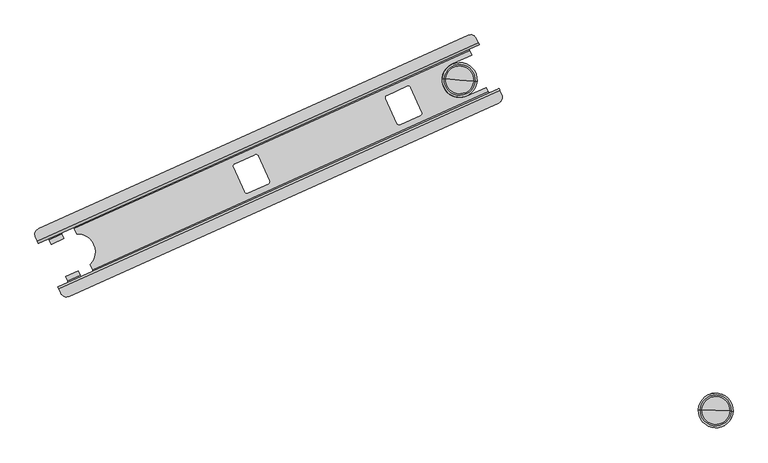
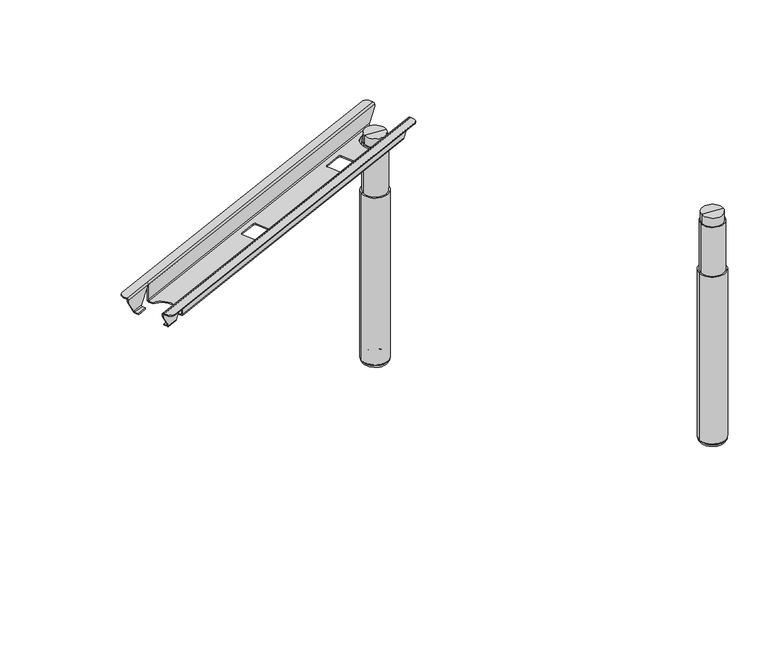
"""IFC4 building model written with IfcOpenShell, lengths in millimetres: furniture geometry."""

from ifc_helpers import new_model, si_unit, point, frame, origin, place, context, project, spatial, polyline, circle_curve, ellipse_curve, trimmed, source, transform, mapped, element, save
from ifc_brep_helpers import plane_surface, cylinder_surface, revolved_surface, advanced_brep


def furniture_04da3972(model_context):
    return source(origin(), model_context, "Body", "AdvancedBrep", [
        advanced_brep(
        [(152.5074681, 221.3662878, 675.8114043), (150.4453506, 225.943718, 670.7799265), (150.4453506, 225.943718, 666.2371902), (151.6728418, 223.2189677, 666.2371902), (151.6728418, 223.2189677, 670.7799265), (152.5074681, 221.3662878, 672.8119265), (156.1827463, 213.208009, 672.8119265), (156.1827463, 213.208009, 675.8114043), (110.4369016, 314.7533439, 670.7799265), (108.3747841, 319.3307741, 675.8114043), (104.6994573, 327.489161, 675.8114043), (104.6994573, 327.489161, 672.8119265), (108.3747841, 319.3307741, 672.8119265), (109.2094105, 317.4780942, 670.7799265), (109.2094105, 317.4780942, 666.2371902), (110.4369016, 314.7533439, 666.2371902), (1048.6649841, 625.0823475, 672.8119265), (1047.8303578, 626.9350274, 670.7799265), (1047.8303578, 626.9350274, 666.2371902), (1046.6028666, 629.6597777, 666.2371902), (1046.6028666, 629.6597777, 670.7799265), (1048.6649841, 625.0823475, 675.8114043), (1052.3402623, 616.9240687, 675.8114043), (1052.3402623, 616.9240687, 672.8119265), (1005.3669265, 721.1941539, 670.7799265), (1004.5323002, 723.0468338, 672.8119265), (1000.8569733, 731.2052207, 672.8119265), (1000.8569733, 731.2052207, 675.8114043), (1004.5323002, 723.0468338, 675.8114043), (1006.5944177, 718.4694036, 670.7799265), (1006.5944177, 718.4694036, 666.2371902), (1005.3669265, 721.1941539, 666.2371902), (223.5280731, 253.3608404, 672.8119265), (225.2879288, 249.4543627, 672.8119265), (226.0440324, 249.7949849, 672.8119265), (224.2841767, 253.7014626, 672.8119265), (1045.8964031, 600.0919036, 672.8119265), (172.9784101, 206.8451738, 672.8119265), (179.3953854, 351.325325, 672.8119265), (111.0622924, 344.284825, 672.8119265), (984.0613093, 737.5680558, 672.8119265), (180.151489, 351.6659473, 672.8119265), (178.3915846, 355.5725331, 672.8119265), (177.635481, 355.2319108, 672.8119265), (172.9784101, 206.8451738, 675.8114043), (1045.8964031, 600.0919036, 675.8114043), (984.0613093, 737.5680558, 675.8114043), (111.0622924, 344.284825, 675.8114043), (222.222059, 258.2788928, 670.7799265), (222.7856715, 257.0278019, 674.2332388), (220.3849808, 257.451295, 670.7799265), (1026.6854753, 620.6870574, 628.4002168), (222.222059, 258.2788928, 628.4002168), (197.8400055, 247.2948566, 628.4002168), (170.3627419, 234.9164383, 628.4002168), (197.1799507, 247.2441877, 627.3331133), (195.9353789, 249.2879574, 625.7913268), (170.1185421, 237.657556, 625.7913268), (170.832117, 235.3746213, 627.3330164), (221.1543278, 260.6490122, 625.7913268), (1026.0313015, 620.6390853, 627.3330164), (1024.7942127, 622.6861787, 625.7913268), (191.8507602, 258.354878, 625.7913268), (166.0339233, 246.7244777, 625.7913268), (162.1469247, 324.290607, 625.7913268), (158.0623891, 333.3573428, 625.7913268), (132.2455555, 321.7269429, 625.7913268), (136.3300903, 312.6602079, 625.7913268), (183.2813379, 344.7183976, 625.7913268), (188.3144634, 333.546009, 625.7913268), (216.1211192, 271.8215854, 625.7913268), (1020.7095939, 631.7531004, 625.7913268), (981.188778, 613.949099, 625.7913268), (951.4849425, 679.884828, 625.7913268), (991.0057609, 697.6888306, 625.7913268), (986.9212261, 706.7555655, 625.7913268), (557.470799, 491.9835454, 625.7913268), (579.9181224, 442.1556156, 625.7913268), (577.3729886, 435.4373499, 625.7913268), (536.5402032, 417.0423104, 625.7913268), (529.8219375, 419.5874441, 625.7913268), (507.3746141, 469.415374, 625.7913268), (509.9197479, 476.1336397, 625.7913268), (550.7525333, 494.5286792, 625.7913268), (866.7635816, 631.3189569, 625.7913268), (889.210905, 581.491027, 625.7913268), (886.6657712, 574.7727613, 625.7913268), (845.8329857, 556.3777218, 625.7913268), (839.11472, 558.9228556, 625.7913268), (816.6673967, 608.7507855, 625.7913268), (819.2125305, 615.4690512, 625.7913268), (860.0453159, 633.8640907, 625.7913268), (157.3562616, 335.6436799, 627.3331133), (157.8315531, 336.1044809, 628.4002168), (130.3542929, 323.7260642, 628.4002168), (131.0084668, 323.7740363, 627.3330164), (182.2136067, 347.0885171, 628.4002168), (986.2076512, 709.0385003, 627.3330164), (986.6770264, 709.4966833, 628.4002168), (180.3765285, 346.2609193, 670.7799265), (182.2136067, 347.0885171, 670.7799265), (181.6499943, 348.339608, 674.2332388), (179.1490372, 348.9856696, 670.7799265), (180.9861154, 349.8132674, 670.7799265), (156.6040618, 338.8292312, 628.4002168), (129.1268017, 326.4508144, 628.4002168), (985.4495352, 712.2214336, 628.4002168), (180.9861154, 349.8132674, 628.4002168), (156.0786273, 338.4797362, 627.3331133), (157.5421859, 333.122993, 622.8122168), (132.751366, 321.9548089, 622.8122168), (129.7308226, 326.6101148, 627.3330164), (183.2813379, 344.7183976, 622.8122168), (984.9300071, 711.8745787, 627.3330164), (986.4154157, 706.5276996, 622.8122168), (191.3305569, 258.1205281, 622.8122168), (195.4151757, 249.0536076, 622.8122168), (170.6243526, 237.885422, 622.8122168), (166.5397337, 246.9523437, 622.8122168), (161.6267214, 324.0562572, 622.8122168), (136.8359008, 312.8880739, 622.8122168), (221.1543278, 260.6490122, 622.8122168), (216.1211192, 271.8215854, 622.8122168), (188.3144634, 333.546009, 622.8122168), (990.4999504, 697.4609646, 622.8122168), (951.4849425, 679.884828, 622.8122168), (981.188778, 613.949099, 622.8122168), (1020.2037834, 631.5252344, 622.8122168), (1024.2884023, 622.4583127, 622.8122168), (579.9181224, 442.1556156, 622.8122168), (557.470799, 491.9835454, 622.8122168), (550.7525333, 494.5286792, 622.8122168), (509.9197479, 476.1336397, 622.8122168), (507.3746141, 469.415374, 622.8122168), (529.8219375, 419.5874441, 622.8122168), (536.5402032, 417.0423104, 622.8122168), (577.3729886, 435.4373499, 622.8122168), (889.210905, 581.491027, 622.8122168), (866.7635816, 631.3189569, 622.8122168), (860.0453159, 633.8640907, 622.8122168), (819.2125305, 615.4690512, 622.8122168), (816.6673967, 608.7507855, 622.8122168), (839.11472, 558.9228556, 622.8122168), (845.8329857, 556.3777218, 622.8122168), (886.6657712, 574.7727613, 622.8122168), (198.457585, 244.4081315, 627.3331133), (199.0674967, 244.5701063, 628.4002168), (171.590233, 232.191688, 628.4002168), (172.1097612, 232.5385429, 627.3330164), (223.4495503, 255.5541425, 628.4002168), (1027.3089457, 617.8030068, 627.3330164), (1027.9129665, 617.9623071, 628.4002168), (221.6124721, 254.7265447, 670.7799265), (223.4495503, 255.5541425, 670.7799265), (178.3915846, 355.5725331, 674.2332388), (226.0440324, 249.7949849, 674.2332388)],
        [
            (0, 1, circle_curve(frame((152.5119912, 221.3562474, 670.7799265), z_axis=(-0.9117519339151808, -0.4107412944931736, 0.0), x_axis=(0.4107412944931736, -0.9117519339151808, 0.0)), 5.0314898)),
            (1, 2),
            (2, 3),
            (3, 4),
            (4, 5, circle_curve(frame((152.5074681, 221.3662878, 670.7799265), z_axis=(0.9117519339151808, 0.4107412944931736, 0.0), x_axis=(0.4107412944931736, -0.9117519339151808, 0.0)), 2.032)),
            (5, 6),
            (6, 7),
            (7, 0),
            (8, 9, circle_curve(frame((108.370261, 319.3408145, 670.7799265), z_axis=(-0.9117519339151808, -0.4107412944931736, 0.0), x_axis=(0.4107412944931736, -0.9117519339151808, 0.0)), 5.0314898)),
            (9, 10),
            (10, 11),
            (11, 12),
            (12, 13, circle_curve(frame((108.3747841, 319.3307741, 670.7799265), z_axis=(0.9117519339151808, 0.4107412944931736, 0.0), x_axis=(0.4107412944931736, -0.9117519339151808, 0.0)), 2.032)),
            (13, 14),
            (14, 15),
            (15, 8),
            (16, 17, circle_curve(frame((1048.6649841, 625.0823475, 670.7799265), z_axis=(-0.9117519339151808, -0.4107412944931736, 0.0), x_axis=(0.4107412944931736, -0.9117519339151808, 0.0)), 2.032)),
            (17, 18),
            (18, 19),
            (19, 20),
            (20, 21, circle_curve(frame((1048.6695073, 625.0723071, 670.7799265), z_axis=(0.9117519339151808, 0.4107412944931736, 0.0), x_axis=(0.4107412944931736, -0.9117519339151808, 0.0)), 5.0314898)),
            (21, 22),
            (22, 23),
            (23, 16),
            (24, 25, circle_curve(frame((1004.5323002, 723.0468338, 670.7799265), z_axis=(-0.9117519339151808, -0.4107412944931736, 0.0), x_axis=(0.4107412944931736, -0.9117519339151808, 0.0)), 2.032)),
            (25, 26),
            (26, 27),
            (27, 28),
            (28, 29, circle_curve(frame((1004.527777, 723.0568742, 670.7799265), z_axis=(0.9117519339151808, 0.4107412944931736, 0.0), x_axis=(0.4107412944931736, -0.9117519339151808, 0.0)), 5.0314898)),
            (29, 30),
            (30, 31),
            (31, 24),
            (5, 32),
            (32, 33),
            (33, 34),
            (34, 35),
            (35, 16),
            (23, 36, circle_curve(frame((1040.6799887, 611.6711532, 672.8119265), z_axis=(0.0, 0.0, -1.0), x_axis=(0.9968812328975415, -0.07891645897199012, 0.0)), 12.7)),
            (36, 37),
            (37, 6, circle_curve(frame((167.7619957, 218.4244233, 672.8119265), z_axis=(0.0, 0.0, -1.0), x_axis=(0.9968812328975415, -0.07891645897199012, 0.0)), 12.7)),
            (38, 12),
            (11, 39, circle_curve(frame((116.2787068, 332.7055754, 672.8119265), z_axis=(0.0, 0.0, -1.0), x_axis=(0.9968812328975419, -0.07891645897198368, 0.0)), 12.7)),
            (39, 40),
            (40, 26, circle_curve(frame((989.2777237, 725.9888062, 672.8119265), z_axis=(0.0, 0.0, -1.0), x_axis=(0.9968812328975419, -0.07891645897198368, 0.0)), 12.7)),
            (25, 41),
            (41, 42),
            (42, 43),
            (43, 38),
            (21, 0),
            (7, 44, circle_curve(frame((167.7619957, 218.4244233, 675.8114043), z_axis=(0.0, 0.0, 1.0), x_axis=(0.9968812328975415, -0.07891645897199012, 0.0)), 12.7)),
            (44, 45),
            (45, 22, circle_curve(frame((1040.6799887, 611.6711532, 675.8114043), z_axis=(0.0, 0.0, 1.0), x_axis=(0.9968812328975415, -0.07891645897199012, 0.0)), 12.7)),
            (9, 28),
            (27, 46, circle_curve(frame((989.2777237, 725.9888062, 675.8114043), z_axis=(0.0, 0.0, 1.0), x_axis=(0.9968812328975419, -0.07891645897198368, 0.0)), 12.7)),
            (46, 47),
            (47, 10, circle_curve(frame((116.2787068, 332.7055754, 675.8114043), z_axis=(0.0, 0.0, 1.0), x_axis=(0.9968812328975419, -0.07891645897198368, 0.0)), 12.7)),
            (20, 48),
            (48, 49, circle_curve(frame((224.2886997, 253.6914222, 670.7799265), z_axis=(0.9117519339151808, 0.4107412944931736, 0.0), x_axis=(0.4107412944931736, -0.9117519339151808, 0.0)), 5.0314898)),
            (49, 50, ellipse_curve(frame((222.4516216, 252.8638245, 670.7799265), z_axis=(-0.7875068062240813, -0.3547693028906138, 0.5039561209840148), x_axis=(-0.4594829911420227, -0.2069955379433079, -0.8637292562619031)), 5.825309, 5.0314898)),
            (50, 1),
            (19, 51),
            (51, 52),
            (52, 48),
            (50, 53),
            (53, 54),
            (54, 2),
            (53, 55, ellipse_curve(frame((196.7672998, 249.6627351, 628.390866), z_axis=(0.7875068062240813, 0.3547693028906138, -0.5039561209840148), x_axis=(0.4594829911420227, 0.2069955379433079, 0.8637292562619031)), 3.009669, 2.5995392)),
            (55, 56, ellipse_curve(frame((196.3893027, 249.4924486, 628.390866), z_axis=(0.895477125247351, 0.4034095870253305, -0.18809950360060085), x_axis=(0.17150016663787515, 0.07726005499618364, 0.9821499767067998)), 2.6467843, 2.5995392)),
            (56, 57),
            (57, 58, ellipse_curve(frame((169.6771774, 237.4587227, 628.390866), z_axis=(-0.8963428695003585, -0.4037995608601031, -0.18307204850837175), x_axis=(0.16691629427331295, 0.07519525018986079, -0.9830994990614881)), 2.6442279, 2.5995392)),
            (58, 54, ellipse_curve(frame((169.2999329, 237.2887753, 628.390866), z_axis=(-0.7896003367201425, -0.3557123954143929, -0.4999999999999921), x_axis=(0.455875966957581, 0.20537064724658796, -0.8660254037844434)), 3.0016893, 2.5995392)),
            (59, 52, circle_curve(frame((221.1543278, 260.6490122, 628.390866), z_axis=(-0.9117519339151808, -0.4107412944931736, 0.0), x_axis=(0.4107412944931736, -0.9117519339151808, 0.0)), 2.5995392)),
            (51, 60, ellipse_curve(frame((1025.6128219, 623.0549595, 628.390866), z_axis=(0.7896003367201436, 0.3557123954143908, -0.49999999999999195), x_axis=(0.4558759669575792, 0.2053706472465917, 0.8660254037844435)), 3.0016893, 2.5995392)),
            (60, 61, ellipse_curve(frame((1025.2355775, 622.8850121, 628.390866), z_axis=(0.896342869500359, 0.4037995608601001, -0.1830720485083751), x_axis=(0.16691629427331048, 0.075195250189877, 0.9830994990614875)), 2.6442279, 2.5995392)),
            (61, 59),
            (56, 62),
            (62, 63),
            (63, 57),
            (64, 65),
            (65, 66),
            (66, 67),
            (67, 64),
            (68, 69),
            (69, 70, circle_curve(frame((190.6245185, 297.4610649, 625.7913268), z_axis=(0.0, 0.0, -1.0), x_axis=(-0.6014092278380982, -0.7989411371754384, 0.0)), 36.1588101)),
            (70, 59),
            (61, 71),
            (71, 72),
            (72, 73, circle_curve(frame((966.3368603, 646.9169635, 625.7913268), z_axis=(0.0, 0.0, -1.0), x_axis=(0.9968812328975419, -0.07891645897198368, 0.0)), 36.1588101)),
            (73, 74),
            (74, 75),
            (75, 68),
            (76, 77),
            (77, 78, circle_curve(frame((575.2864226, 440.0690496, 625.7913268), z_axis=(0.0, 0.0, -1.0), x_axis=(0.9968812328975419, -0.07891645897198368, 0.0)), 5.08)),
            (78, 79),
            (79, 80, circle_curve(frame((534.4536372, 421.6740101, 625.7913268), z_axis=(0.0, 0.0, -1.0), x_axis=(0.9968812328975419, -0.07891645897198368, 0.0)), 5.08)),
            (80, 81),
            (81, 82, circle_curve(frame((512.0063138, 471.50194, 625.7913268), z_axis=(0.0, 0.0, -1.0), x_axis=(0.9968812328975419, -0.07891645897198368, 0.0)), 5.08)),
            (82, 83),
            (83, 76, circle_curve(frame((552.8390992, 489.8969795, 625.7913268), z_axis=(0.0, 0.0, -1.0), x_axis=(0.9968812328975419, -0.07891645897198368, 0.0)), 5.08)),
            (84, 85),
            (85, 86, circle_curve(frame((884.5792052, 579.4044611, 625.7913268), z_axis=(0.0, 0.0, -1.0), x_axis=(0.9968812328975419, -0.07891645897198368, 0.0)), 5.08)),
            (86, 87),
            (87, 88, circle_curve(frame((843.7464198, 561.0094216, 625.7913268), z_axis=(0.0, 0.0, -1.0), x_axis=(0.9968812328975419, -0.07891645897198368, 0.0)), 5.08)),
            (88, 89),
            (89, 90, circle_curve(frame((821.2990964, 610.8373514, 625.7913268), z_axis=(0.0, 0.0, -1.0), x_axis=(0.9968812328975419, -0.07891645897198368, 0.0)), 5.08)),
            (90, 91),
            (91, 84, circle_curve(frame((862.1318818, 629.2323909, 625.7913268), z_axis=(0.0, 0.0, -1.0), x_axis=(0.9968812328975419, -0.07891645897198368, 0.0)), 5.08)),
            (92, 93, ellipse_curve(frame((158.89431, 333.7321205, 628.390866), z_axis=(0.7875068062240813, 0.3547693028906138, -0.5039561209840148), x_axis=(0.4594829911420227, 0.2069955379433079, 0.8637292562619031)), 3.009669, 2.5995392)),
            (93, 94),
            (94, 95, ellipse_curve(frame((131.4269463, 321.3581621, 628.390866), z_axis=(-0.7896003367201425, -0.3557123954143929, -0.4999999999999921), x_axis=(0.455875966957581, 0.20537064724658796, -0.8660254037844434)), 3.0016893, 2.5995392)),
            (95, 66, ellipse_curve(frame((131.8041908, 321.5281095, 628.390866), z_axis=(-0.8963428695003585, -0.4037995608601031, -0.18307204850837175), x_axis=(0.16691629427331295, 0.07519525018986079, -0.9830994990614881)), 2.6442279, 2.5995392)),
            (65, 92, ellipse_curve(frame((158.5163129, 333.561834, 628.390866), z_axis=(0.895477125247351, 0.4034095870253305, -0.18809950360060085), x_axis=(0.17150016663787515, 0.07726005499618364, 0.9821499767067998)), 2.6467843, 2.5995392)),
            (96, 68, circle_curve(frame((183.2813379, 344.7183976, 628.390866), z_axis=(-0.9117519339151808, -0.4107412944931736, 0.0), x_axis=(0.4107412944931736, -0.9117519339151808, 0.0)), 2.5995392)),
            (75, 97, ellipse_curve(frame((987.3625908, 706.9543989, 628.390866), z_axis=(0.896342869500359, 0.4037995608601001, -0.1830720485083751), x_axis=(0.16691629427331048, 0.075195250189877, 0.9830994990614875)), 2.6442279, 2.5995392)),
            (97, 98, ellipse_curve(frame((987.7398353, 707.1243463, 628.390866), z_axis=(0.7896003367201436, 0.3557123954143908, -0.49999999999999195), x_axis=(0.4558759669575792, 0.2053706472465917, 0.8660254037844435)), 3.0016893, 2.5995392)),
            (98, 96),
            (99, 8),
            (15, 94),
            (93, 99),
            (29, 100),
            (100, 96),
            (98, 30),
            (99, 101, ellipse_curve(frame((178.3098876, 350.8483898, 670.7799265), z_axis=(-0.7875068062240813, -0.3547693028906138, 0.5039561209840148), x_axis=(-0.4594829911420227, -0.2069955379433079, -0.8637292562619031)), 5.825309, 5.0314898)),
            (101, 100, circle_curve(frame((180.146966, 351.6759877, 670.7799265), z_axis=(0.9117519339151808, 0.4107412944931736, 0.0), x_axis=(0.4107412944931736, -0.9117519339151808, 0.0)), 5.0314898)),
            (38, 102, ellipse_curve(frame((178.3144108, 350.8383495, 670.7799265), z_axis=(0.7875068062240813, 0.3547693028906138, -0.5039561209840148), x_axis=(0.4594829911420227, 0.2069955379433079, 0.8637292562619031)), 2.3525891, 2.032)),
            (102, 13),
            (24, 103),
            (103, 41, circle_curve(frame((180.1514891, 351.6659473, 670.7799265), z_axis=(-0.9117519339151808, -0.4107412944931736, 0.0), x_axis=(0.4107412944931736, -0.9117519339151808, 0.0)), 2.032)),
            (102, 104),
            (104, 105),
            (105, 14),
            (31, 106),
            (106, 107),
            (107, 103),
            (104, 108, ellipse_curve(frame((158.8992844, 333.7343614, 628.4002168), z_axis=(-0.7875068062240813, -0.3547693028906138, 0.5039561209840148), x_axis=(-0.4594829911420227, -0.2069955379433079, -0.8637292562619031)), 6.4696199, 5.588)),
            (108, 109, ellipse_curve(frame((158.5179457, 333.5625696, 628.4002168), z_axis=(-0.895477125247351, -0.4034095870253305, 0.18809950360060085), x_axis=(-0.17150016663787515, -0.07726005499618364, -0.9821499767067998)), 5.6895588, 5.588)),
            (109, 110),
            (110, 111, ellipse_curve(frame((131.8026032, 321.5273943, 628.4002168), z_axis=(0.8963428695003585, 0.4037995608601031, 0.18307204850837175), x_axis=(-0.16691629427331295, -0.07519525018986079, 0.9830994990614881)), 5.6840635, 5.588)),
            (111, 105, ellipse_curve(frame((131.4220241, 321.3559446, 628.4002168), z_axis=(0.7896003367201425, 0.3557123954143929, 0.4999999999999921), x_axis=(-0.455875966957581, -0.20537064724658796, 0.8660254037844434)), 6.4524666, 5.588)),
            (112, 107, circle_curve(frame((183.2813379, 344.7183976, 628.4002168), z_axis=(0.9117519339151808, 0.4107412944931736, 0.0), x_axis=(0.4107412944931736, -0.9117519339151808, 0.0)), 5.588)),
            (106, 113, ellipse_curve(frame((987.7447576, 707.1265638, 628.4002168), z_axis=(-0.7896003367201436, -0.3557123954143908, 0.49999999999999195), x_axis=(-0.4558759669575792, -0.2053706472465917, -0.8660254037844435)), 6.4524666, 5.588)),
            (113, 114, ellipse_curve(frame((987.3641785, 706.9551141, 628.4002168), z_axis=(-0.896342869500359, -0.4037995608601001, 0.1830720485083751), x_axis=(-0.16691629427331048, -0.075195250189877, -0.9830994990614875)), 5.6840635, 5.588)),
            (114, 112),
            (115, 116),
            (116, 117),
            (117, 118),
            (118, 115),
            (109, 119),
            (119, 120),
            (120, 110),
            (121, 122),
            (122, 123, circle_curve(frame((190.6245185, 297.4610649, 622.8122168), z_axis=(0.0, 0.0, 1.0), x_axis=(-0.6014092278380982, -0.7989411371754384, 0.0)), 36.1588101)),
            (123, 112),
            (114, 124),
            (124, 125),
            (125, 126, circle_curve(frame((966.3368603, 646.9169635, 622.8122168), z_axis=(0.0, 0.0, 1.0), x_axis=(0.9968812328975419, -0.07891645897198368, 0.0)), 36.1588101)),
            (126, 127),
            (127, 128),
            (128, 121),
            (129, 130),
            (130, 131, circle_curve(frame((552.8390992, 489.8969795, 622.8122168), z_axis=(0.0, 0.0, 1.0), x_axis=(0.9968812328975419, -0.07891645897198368, 0.0)), 5.08)),
            (131, 132),
            (132, 133, circle_curve(frame((512.0063138, 471.50194, 622.8122168), z_axis=(0.0, 0.0, 1.0), x_axis=(0.9968812328975419, -0.07891645897198368, 0.0)), 5.08)),
            (133, 134),
            (134, 135, circle_curve(frame((534.4536372, 421.6740101, 622.8122168), z_axis=(0.0, 0.0, 1.0), x_axis=(0.9968812328975419, -0.07891645897198368, 0.0)), 5.08)),
            (135, 136),
            (136, 129, circle_curve(frame((575.2864226, 440.0690496, 622.8122168), z_axis=(0.0, 0.0, 1.0), x_axis=(0.9968812328975419, -0.07891645897198368, 0.0)), 5.08)),
            (137, 138),
            (138, 139, circle_curve(frame((862.1318818, 629.2323909, 622.8122168), z_axis=(0.0, 0.0, 1.0), x_axis=(0.9968812328975419, -0.07891645897198368, 0.0)), 5.08)),
            (139, 140),
            (140, 141, circle_curve(frame((821.2990964, 610.8373514, 622.8122168), z_axis=(0.0, 0.0, 1.0), x_axis=(0.9968812328975419, -0.07891645897198368, 0.0)), 5.08)),
            (141, 142),
            (142, 143, circle_curve(frame((843.7464198, 561.0094216, 622.8122168), z_axis=(0.0, 0.0, 1.0), x_axis=(0.9968812328975419, -0.07891645897198368, 0.0)), 5.08)),
            (143, 144),
            (144, 137, circle_curve(frame((884.5792052, 579.4044611, 622.8122168), z_axis=(0.0, 0.0, 1.0), x_axis=(0.9968812328975419, -0.07891645897198368, 0.0)), 5.08)),
            (145, 146, ellipse_curve(frame((196.7722742, 249.664976, 628.4002168), z_axis=(-0.7875068062240813, -0.3547693028906138, 0.5039561209840148), x_axis=(-0.4594829911420227, -0.2069955379433079, -0.8637292562619031)), 6.4696199, 5.588)),
            (146, 147),
            (147, 148, ellipse_curve(frame((169.2950107, 237.2865578, 628.4002168), z_axis=(0.7896003367201425, 0.3557123954143929, 0.4999999999999921), x_axis=(-0.455875966957581, -0.20537064724658796, 0.8660254037844434)), 6.4524666, 5.588)),
            (148, 117, ellipse_curve(frame((169.6755898, 237.4580074, 628.4002168), z_axis=(0.8963428695003585, 0.4037995608601031, 0.18307204850837175), x_axis=(-0.16691629427331295, -0.07519525018986079, 0.9830994990614881)), 5.6840635, 5.588)),
            (116, 145, ellipse_curve(frame((196.3909355, 249.4931842, 628.4002168), z_axis=(-0.895477125247351, -0.4034095870253305, 0.18809950360060085), x_axis=(-0.17150016663787515, -0.07726005499618364, -0.9821499767067998)), 5.6895588, 5.588)),
            (149, 121, circle_curve(frame((221.154328, 260.6490123, 628.4002168), z_axis=(0.9117519339151808, 0.4107412944931736, 0.0), x_axis=(0.4107412944931736, -0.9117519339151808, 0.0)), 5.588)),
            (128, 150, ellipse_curve(frame((1025.2371651, 622.8857273, 628.4002168), z_axis=(-0.896342869500359, -0.4037995608601001, 0.1830720485083751), x_axis=(-0.16691629427331048, -0.075195250189877, -0.9830994990614875)), 5.6840635, 5.588)),
            (150, 151, ellipse_curve(frame((1025.6177442, 623.0571769, 628.4002168), z_axis=(-0.7896003367201436, -0.3557123954143908, 0.49999999999999195), x_axis=(-0.4558759669575792, -0.2053706472465917, -0.8660254037844435)), 6.4524666, 5.588)),
            (151, 149),
            (152, 4),
            (3, 147),
            (146, 152),
            (17, 153),
            (153, 149),
            (151, 18),
            (152, 32, ellipse_curve(frame((222.4470985, 252.8738648, 670.7799265), z_axis=(0.7875068062240813, 0.3547693028906138, -0.5039561209840148), x_axis=(0.4594829911420227, 0.2069955379433079, 0.8637292562619031)), 2.3525891, 2.032)),
            (35, 153, circle_curve(frame((224.2841767, 253.7014626, 670.7799265), z_axis=(-0.9117519339151808, -0.4107412944931736, 0.0), x_axis=(0.4107412944931736, -0.9117519339151808, 0.0)), 2.032)),
            (92, 108),
            (43, 154),
            (154, 101),
            (145, 55),
            (49, 155),
            (155, 33),
            (154, 42),
            (123, 69),
            (70, 122),
            (34, 155),
            (64, 119),
            (115, 62),
            (118, 63),
            (67, 120),
            (125, 73),
            (72, 126),
            (71, 127),
            (124, 74),
            (129, 77),
            (76, 130),
            (83, 131),
            (82, 132),
            (81, 133),
            (80, 134),
            (79, 135),
            (78, 136),
            (137, 85),
            (84, 138),
            (91, 139),
            (90, 140),
            (89, 141),
            (88, 142),
            (87, 143),
            (86, 144),
            (46, 40),
            (39, 47),
            (45, 36),
            (37, 44),
            (111, 95),
            (58, 148),
            (150, 60),
            (97, 113),
        ],
        [
            plane_surface(frame((154.2673237, 217.45981, 672.8119265), z_axis=(-0.9117519339151807, -0.4107412944931736, 0.0), x_axis=(0.4107412944931736, -0.9117519339151807, 0.0))),
            plane_surface(frame((1050.4248397, 621.1758697, 672.8119265), z_axis=(0.9117519339151807, 0.4107412944931736, 0.0), x_axis=(-0.4107412944931736, 0.9117519339151807, 0.0))),
            plane_surface(frame((152.5074681, 221.3662878, 672.8119265), z_axis=(0.0, 0.0, -1.0), x_axis=(0.9117519339151807, 0.4107412944931735, 0.0))),
            plane_surface(frame((154.2673237, 217.45981, 675.8114043), z_axis=(2.8677227300377563e-12, -6.365689985641075e-12, 1.0), x_axis=(0.9117519339151807, 0.41074129449317354, 0.0))),
            cylinder_surface(frame((1048.6695073, 625.0723071, 670.7799265), z_axis=(-0.9117519339151808, -0.4107412944931736, 0.0), x_axis=(0.4107412944931736, -0.9117519339151808, 0.0)), 5.0314898),
            plane_surface(frame((150.4453506, 225.943718, 670.7799265), z_axis=(-0.4107412944931735, 0.9117519339151808, 0.0), x_axis=(0.9117519339151808, 0.4107412944931735, 0.0))),
            revolved_surface(polyline([(199.21792954401644, 247.91558840851178, 628.390866), (168.99927301153707, 234.30218147149964, 628.390866)]), (1045.5351354, 632.0298972, 628.390866), (0.9117519339151808, 0.4107412944931736, 0.0)),
            revolved_surface(polyline([(1028.0489580211945, 621.3012834527241, 628.390866), (222.22206587599624, 258.2788773517232, 628.390866)]), (1045.5351354, 632.0298972, 628.390866), (0.9117519339151808, 0.4107412944931736, 0.0)),
            plane_surface(frame((149.3776194, 228.3138375, 625.7913268), z_axis=(0.0, 0.0, 1.0), x_axis=(0.9117519339151807, 0.4107412944931735, 0.0))),
            revolved_surface(polyline([(161.34493972214204, 331.9849738570677, 628.390866), (131.12628637408773, 318.3715683546288, 628.390866)]), (1007.6621488, 716.0992841, 628.390866), (0.9117519339151808, 0.4107412944931736, 0.0)),
            revolved_surface(polyline([(990.1759713837451, 705.3706703358532, 628.390866), (184.34907593911055, 342.34826274846694, 628.390866)]), (1007.6621488, 716.0992841, 628.390866), (0.9117519339151808, 0.4107412944931736, 0.0)),
            plane_surface(frame((110.4369016, 314.7533439, 628.4002168), z_axis=(0.41074129449317354, -0.9117519339151807, 0.0), x_axis=(0.9117519339151807, 0.41074129449317354, 0.0))),
            cylinder_surface(frame((1004.527777, 723.0568742, 670.7799265), z_axis=(-0.9117519339151808, -0.4107412944931736, 0.0), x_axis=(0.4107412944931736, -0.9117519339151808, 0.0)), 5.0314898),
            revolved_surface(polyline([(180.23001175101592, 349.47264509648863, 670.7799265), (109.20941043037578, 317.4780941259644, 670.7799265)]), (1004.5323002, 723.0468338, 670.7799265), (0.9117519339151808, 0.4107412944931736, 0.0)),
            revolved_surface(polyline([(1005.3669265128847, 721.194153871399, 670.7799265), (180.98611533592157, 349.8132673136541, 670.7799265)]), (1004.5323002, 723.0468338, 670.7799265), (0.9117519339151808, 0.4107412944931736, 0.0)),
            plane_surface(frame((109.2094105, 317.4780942, 670.7799265), z_axis=(-0.4107412944931735, 0.9117519339151807, 0.0), x_axis=(0.9117519339151807, 0.4107412944931735, 0.0))),
            cylinder_surface(frame((1007.6621488, 716.0992841, 628.4002168), z_axis=(-0.9117519339151808, -0.4107412944931736, 0.0), x_axis=(0.4107412944931736, -0.9117519339151808, 0.0)), 5.588),
            plane_surface(frame((111.5046328, 312.3832244, 622.8122168), z_axis=(0.0, 0.0, -1.0), x_axis=(0.9117519339151807, 0.41074129449317354, 0.0))),
            cylinder_surface(frame((1045.5351354, 632.0298972, 628.4002168), z_axis=(-0.9117519339151808, -0.4107412944931736, 0.0), x_axis=(0.4107412944931736, -0.9117519339151808, 0.0)), 5.588),
            plane_surface(frame((151.6728418, 223.2189677, 628.4002168), z_axis=(0.4107412944931735, -0.9117519339151807, 0.0), x_axis=(0.9117519339151807, 0.4107412944931735, 0.0))),
            revolved_surface(polyline([(224.3626994091145, 251.50816048949986, 670.7799265), (153.34209441103064, 219.51360786229912, 670.7799265)]), (1048.6649841, 625.0823475, 670.7799265), (0.9117519339151808, 0.4107412944931736, 0.0)),
            revolved_surface(polyline([(1049.4996104104102, 623.2296675702843, 670.7799265), (225.1188029084168, 251.8487826681013, 670.7799265)]), (1048.6649841, 625.0823475, 670.7799265), (0.9117519339151808, 0.4107412944931736, 0.0)),
            plane_surface(frame((146.3100196, 360.1638138, 627.3331133), z_axis=(0.7875068062240815, 0.35476930289061387, -0.5039561209840149), x_axis=(0.41074132932118523, -0.9117519182252735, 0.0))),
            plane_surface(frame((171.2597458, 371.4035858, 674.2332388), z_axis=(-0.9117519182252735, -0.41074132932118523, 0.0), x_axis=(0.41074132932118523, -0.9117519182252735, 0.0))),
            plane_surface(frame((145.0746262, 359.607273, 620.2582388), z_axis=(0.895477125247351, 0.4034095870253305, -0.18809950360060085), x_axis=(0.41074132932118523, -0.9117519182252735, 0.0))),
            revolved_surface(polyline([(168.87827643821456, 268.57230403979526, 625.7913268), (168.87827643821456, 268.57230403979526, 622.8122168)]), (190.6245185, 297.4610649, 485.9002831), (0.0, 0.0, 1.0000000000000002)),
            plane_surface(frame((164.9490596, 246.2357502, 649.3460139), z_axis=(-0.41074125966517006, 0.9117519496050828, 0.0), x_axis=(0.0, 0.0, -1.0))),
            plane_surface(frame((175.7726033, 330.4289305, 649.3460139), z_axis=(0.41074125966516717, -0.9117519496050841, 0.0), x_axis=(0.0, 0.0, -1.0))),
            revolved_surface(polyline([(1002.3828994925962, 644.0634382462675, 625.7913268), (1002.3828994925962, 644.0634382462675, 622.8122168)]), (966.3368603, 646.9169635, 485.9002831), (0.0, 0.0, 1.0)),
            plane_surface(frame((981.188778, 613.949099, 649.3460139), z_axis=(-0.4107413293211847, 0.9117519182252737, 0.0), x_axis=(0.0, 0.0, -1.0))),
            plane_surface(frame((992.0123153, 698.1422801, 649.3460139), z_axis=(0.4107413293211872, -0.9117519182252726, 0.0), x_axis=(0.0, 0.0, -1.0))),
            plane_surface(frame((579.9181224, 442.1556156, 649.3460139), z_axis=(-0.9117519182252732, -0.41074132932118573, 0.0), x_axis=(0.0, 0.0, -1.0))),
            revolved_surface(polyline([(557.9032558631195, 489.49608388842233, 625.7913268), (557.9032558631195, 489.49608388842233, 622.8122168)]), (552.8390992, 489.8969795, 0.0), (0.0, 0.0, 1.0)),
            plane_surface(frame((550.7525333, 494.5286792, 649.3460139), z_axis=(0.41074132932118756, -0.9117519182252724, 0.0), x_axis=(0.0, 0.0, -1.0))),
            revolved_surface(polyline([(517.0704704631196, 471.10104438842234, 625.7913268), (517.0704704631196, 471.10104438842234, 622.8122168)]), (512.0063138, 471.50194, 0.0), (0.0, 0.0, 1.0)),
            plane_surface(frame((507.3746141, 469.415374, 649.3460139), z_axis=(0.911751918225275, 0.41074132932118174, 0.0), x_axis=(0.0, 0.0, -1.0))),
            revolved_surface(polyline([(539.5177938631196, 421.2731144884223, 625.7913268), (539.5177938631196, 421.2731144884223, 622.8122168)]), (534.4536372, 421.6740101, 0.0), (0.0, 0.0, 1.0)),
            plane_surface(frame((536.5402032, 417.0423104, 649.3460139), z_axis=(-0.4107413293211845, 0.9117519182252738, 0.0), x_axis=(0.0, 0.0, -1.0))),
            revolved_surface(polyline([(580.3505792631196, 439.6681539884224, 625.7913268), (580.3505792631196, 439.6681539884224, 622.8122168)]), (575.2864226, 440.0690496, 0.0), (0.0, 0.0, 1.0)),
            plane_surface(frame((889.210905, 581.491027, 649.3460139), z_axis=(-0.9117519182252741, -0.41074132932118357, 0.0), x_axis=(0.0, 0.0, -1.0))),
            revolved_surface(polyline([(867.1960384631195, 628.8314952884224, 625.7913268), (867.1960384631195, 628.8314952884224, 622.8122168)]), (862.1318818, 629.2323909, 0.0), (0.0, 0.0, 1.0)),
            plane_surface(frame((860.0453159, 633.8640907, 649.3460139), z_axis=(0.4107413293211903, -0.9117519182252711, 0.0), x_axis=(0.0, 0.0, -1.0))),
            revolved_surface(polyline([(826.3632530631196, 610.4364557884223, 625.7913268), (826.3632530631196, 610.4364557884223, 622.8122168)]), (821.2990964, 610.8373514, 0.0), (0.0, 0.0, 1.0)),
            plane_surface(frame((816.6673967, 608.7507855, 649.3460139), z_axis=(0.911751918225276, 0.4107413293211797, 0.0), x_axis=(0.0, 0.0, -1.0))),
            revolved_surface(polyline([(848.8105764631196, 560.6085259884223, 625.7913268), (848.8105764631196, 560.6085259884223, 622.8122168)]), (843.7464198, 561.0094216, 0.0), (0.0, 0.0, 1.0)),
            plane_surface(frame((845.8329857, 556.3777218, 649.3460139), z_axis=(-0.4107413293211893, 0.9117519182252716, 0.0), x_axis=(0.0, 0.0, -1.0))),
            revolved_surface(polyline([(889.6433618631196, 579.0035654884224, 625.7913268), (889.6433618631196, 579.0035654884224, 622.8122168)]), (884.5792052, 579.4044611, 0.0), (0.0, 0.0, 1.0)),
            plane_surface(frame((984.0613093, 737.5680558, 675.8114043), z_axis=(-0.41074129449317365, 0.9117519339151807, 0.0), x_axis=(0.0, 0.0, -1.0))),
            cylinder_surface(frame((116.2787068, 332.7055754, 672.8119265), z_axis=(0.0, 0.0, 1.0), x_axis=(0.9968812328975419, -0.07891645897198368, 0.0)), 12.7),
            plane_surface(frame((106.6148799, 323.23736, 675.8114043), z_axis=(0.4107412944931748, -0.9117519339151802, 0.0), x_axis=(0.0, 0.0, -1.0))),
            cylinder_surface(frame((989.2777237, 725.9888062, 672.8119265), z_axis=(0.0, 0.0, 1.0), x_axis=(0.9968812328975419, -0.07891645897198368, 0.0)), 12.7),
            cylinder_surface(frame((1040.6799887, 611.6711532, 0.0), z_axis=(0.0, 0.0, 1.0000000000000002), x_axis=(0.9968812328975415, -0.07891645897199012, 0.0)), 12.7),
            plane_surface(frame((1050.3438157, 621.1393686, 675.8114043), z_axis=(-0.4107412944931659, 0.9117519339151843, 0.0), x_axis=(0.0, 0.0, -1.0))),
            cylinder_surface(frame((167.7619957, 218.4244233, 0.0), z_axis=(0.0, 0.0, 1.0000000000000002), x_axis=(0.9968812328975415, -0.07891645897199012, 0.0)), 12.7),
            plane_surface(frame((172.9784101, 206.8451738, 675.8114043), z_axis=(0.41074129449319224, -0.9117519339151723, 0.0), x_axis=(0.0, 0.0, -1.0))),
            plane_surface(frame((89.1551086, 348.5362653, 675.8114043), z_axis=(-0.7896003367201425, -0.3557123954143929, -0.4999999999999921), x_axis=(0.41074129449317054, -0.9117519339151821, 0.0))),
            plane_surface(frame((114.6741428, 360.0325077, 627.3330164), z_axis=(-0.8963428695003582, -0.403799560860103, -0.18307204850837172), x_axis=(0.41074129449317054, -0.9117519339151821, 0.0))),
            plane_surface(frame((969.8733273, 745.2969716, 627.3330164), z_axis=(0.7896003367201436, 0.3557123954143908, -0.49999999999999195), x_axis=(0.41074129449316804, -0.9117519339151832, 0.0))),
            plane_surface(frame((967.7534903, 744.3419919, 614.8476528), z_axis=(0.896342869500359, 0.4037995608601001, -0.1830720485083751), x_axis=(0.4107412944931678, -0.9117519339151834, 0.0))),
        ],
        [
            (0, [[1, 2, 3, 4, 5, 6, 7, 8]]),
            (0, [[9, 10, 11, 12, 13, 14, 15, 16]]),
            (1, [[17, 18, 19, 20, 21, 22, 23, 24]]),
            (1, [[25, 26, 27, 28, 29, 30, 31, 32]]),
            (2, [[33, 34, 35, 36, 37, -24, 38, 39, 40, -6]]),
            (2, [[41, -12, 42, 43, 44, -26, 45, 46, 47, 48]]),
            (3, [[49, -8, 50, 51, 52, -22]]),
            (3, [[53, -28, 54, 55, 56, -10]]),
            (4, [[-1, -49, -21, 57, 58, 59, 60]]),
            (5, [[-57, -20, 61, 62, 63]]),
            (5, [[-60, 64, 65, 66, -2]]),
            (6, [[67, 68, 69, 70, 71, -65]]),
            (7, [[72, -62, 73, 74, 75]]),
            (8, [[76, 77, 78, -69]]),
            (8, [[79, 80, 81, 82]]),
            (8, [[83, 84, 85, -75, 86, 87, 88, 89, 90, 91], [92, 93, 94, 95, 96, 97, 98, 99], [100, 101, 102, 103, 104, 105, 106, 107]]),
            (9, [[108, 109, 110, 111, -80, 112]]),
            (10, [[113, -91, 114, 115, 116]]),
            (11, [[117, -16, 118, -109, 119]]),
            (11, [[120, 121, -116, 122, -30]]),
            (12, [[-9, -117, 123, 124, -120, -29, -53]]),
            (13, [[-13, -41, 125, 126]]),
            (14, [[-25, 127, 128, -45]]),
            (15, [[-126, 129, 130, 131, -14]]),
            (15, [[-127, -32, 132, 133, 134]]),
            (16, [[135, 136, 137, 138, 139, -130]]),
            (16, [[140, -133, 141, 142, 143]]),
            (17, [[144, 145, 146, 147]]),
            (17, [[148, 149, 150, -137]]),
            (17, [[151, 152, 153, -143, 154, 155, 156, 157, 158, 159], [160, 161, 162, 163, 164, 165, 166, 167], [168, 169, 170, 171, 172, 173, 174, 175]]),
            (18, [[176, 177, 178, 179, -145, 180]]),
            (18, [[181, -159, 182, 183, 184]]),
            (19, [[185, -4, 186, -177, 187]]),
            (19, [[188, 189, -184, 190, -18]]),
            (20, [[-5, -185, 191, -33]]),
            (21, [[-17, -37, 192, -188]]),
            (22, [[193, -135, -129, -125, -48, 194, 195, -123, -119, -108]]),
            (22, [[196, -67, -64, -59, 197, 198, -34, -191, -187, -176]]),
            (23, [[-195, 199, -46, -128, -134, -140, -153, 200, -83, -113, -121, -124]]),
            (23, [[-197, -58, -63, -72, -85, 201, -151, -181, -189, -192, -36, 202]]),
            (24, [[-193, -112, -79, 203, -148, -136]]),
            (24, [[-196, -180, -144, 204, -76, -68]]),
            (25, [[-84, -200, -152, -201]]),
            (26, [[-204, -147, 205, -77]]),
            (27, [[-203, -82, 206, -149]]),
            (28, [[207, -88, 208, -156]]),
            (29, [[-208, -87, 209, -157]]),
            (30, [[-207, -155, 210, -89]]),
            (31, [[211, -92, 212, -160]]),
            (32, [[-212, -99, 213, -161]]),
            (33, [[-213, -98, 214, -162]]),
            (34, [[-214, -97, 215, -163]]),
            (35, [[-215, -96, 216, -164]]),
            (36, [[-216, -95, 217, -165]]),
            (37, [[-217, -94, 218, -166]]),
            (38, [[-211, -167, -218, -93]]),
            (39, [[219, -100, 220, -168]]),
            (40, [[-220, -107, 221, -169]]),
            (41, [[-221, -106, 222, -170]]),
            (42, [[-222, -105, 223, -171]]),
            (43, [[-223, -104, 224, -172]]),
            (44, [[-224, -103, 225, -173]]),
            (45, [[-225, -102, 226, -174]]),
            (46, [[-219, -175, -226, -101]]),
            (47, [[-55, 227, -43, 228]]),
            (48, [[-56, -228, -42, -11]]),
            (49, [[-47, -199, -194]]),
            (50, [[-54, -27, -44, -227]]),
            (51, [[-52, 229, -38, -23]]),
            (52, [[-35, -198, -202]]),
            (53, [[-50, -7, -40, 230]]),
            (54, [[-51, -230, -39, -229]]),
            (55, [[231, -110, -118, -15, -131, -139]]),
            (55, [[232, -178, -186, -3, -66, -71]]),
            (56, [[-231, -138, -150, -206, -81, -111]]),
            (56, [[-232, -70, -78, -205, -146, -179]]),
            (57, [[233, -73, -61, -19, -190, -183]]),
            (57, [[234, -141, -132, -31, -122, -115]]),
            (58, [[-233, -182, -158, -209, -86, -74]]),
            (58, [[-234, -114, -90, -210, -154, -142]]),
        ],
    ),
        advanced_brep(
        [(994.9774914, 644.8127477, 649.3460139), (938.8420389, 649.2566182, 649.3460139), (966.9097651, 647.034683, 649.3460139), (994.9774914, 644.8127477, 624.9086974), (938.8420389, 649.2566182, 624.9086974), (998.0682141, 644.5680757, 624.9086974), (935.7513162, 649.5012902, 624.9086974), (998.0682141, 644.5680757, 485.9002831), (935.7513162, 649.5012902, 485.9002831), (1002.0927919, 644.2494767, 485.9002831), (931.7267384, 649.8198893, 485.9002831), (1002.0927919, 644.2494767, 10.2163535), (931.7267384, 649.8198893, 10.2163535), (1000.8288154, 644.3495373, 9.4693355), (932.9907148, 649.7198287, 9.4693355), (1001.6714402, 644.2828323, 8.8323857), (932.1480901, 649.7865337, 8.8323857), (993.5364315, 644.9268268, 0.0), (940.2830988, 649.1425391, 0.0), (966.9097651, 647.034683, 0.0)],
        [
            (0, 1, circle_curve(frame((966.9097651, 647.034683, 649.3460139), z_axis=(0.0, 0.0, 1.0), x_axis=(-0.9968812328975419, 0.07891645897198368, 0.0)), 28.1555368)),
            (1, 2),
            (2, 0),
            (1, 0, circle_curve(frame((966.9097651, 647.034683, 649.3460139), z_axis=(0.0, 0.0, 1.0), x_axis=(-0.9968812328975419, 0.07891645897198368, 0.0)), 28.1555368)),
            (3, 4, circle_curve(frame((966.9097651, 647.034683, 624.9086974), z_axis=(0.0, 0.0, 1.0), x_axis=(-0.9968812328975419, 0.07891645897198368, 0.0)), 28.1555368)),
            (4, 1),
            (0, 3),
            (4, 3, circle_curve(frame((966.9097651, 647.034683, 624.9086974), z_axis=(0.0, 0.0, 1.0), x_axis=(-0.9968812328975419, 0.07891645897198368, 0.0)), 28.1555368)),
            (5, 6, circle_curve(frame((966.9097651, 647.034683, 624.9086974), z_axis=(0.0, 0.0, 1.0), x_axis=(-0.9968812328975419, 0.07891645897198368, 0.0)), 31.2559289)),
            (6, 4),
            (3, 5),
            (6, 5, circle_curve(frame((966.9097651, 647.034683, 624.9086974), z_axis=(0.0, 0.0, 1.0), x_axis=(-0.9968812328975419, 0.07891645897198368, 0.0)), 31.2559289)),
            (7, 8, circle_curve(frame((966.9097651, 647.034683, 485.9002831), z_axis=(0.0, 0.0, 1.0), x_axis=(-0.9968812328975419, 0.07891645897198368, 0.0)), 31.2559289)),
            (8, 6),
            (5, 7),
            (8, 7, circle_curve(frame((966.9097651, 647.034683, 485.9002831), z_axis=(0.0, 0.0, 1.0), x_axis=(-0.9968812328975419, 0.07891645897198368, 0.0)), 31.2559289)),
            (9, 10, circle_curve(frame((966.9097651, 647.034683, 485.9002831), z_axis=(0.0, 0.0, 1.0), x_axis=(-0.9968812328975419, 0.07891645897198368, 0.0)), 35.2930977)),
            (10, 8),
            (7, 9),
            (10, 9, circle_curve(frame((966.9097651, 647.034683, 485.9002831), z_axis=(0.0, 0.0, 1.0), x_axis=(-0.9968812328975419, 0.07891645897198368, 0.0)), 35.2930977)),
            (11, 12, circle_curve(frame((966.9097651, 647.034683, 10.2163535), z_axis=(0.0, 0.0, 1.0), x_axis=(-0.9968812328975419, 0.07891645897198368, 0.0)), 35.2930977)),
            (12, 10),
            (9, 11),
            (12, 11, circle_curve(frame((966.9097651, 647.034683, 10.2163535), z_axis=(0.0, 0.0, 1.0), x_axis=(-0.9968812328975419, 0.07891645897198368, 0.0)), 35.2930977)),
            (13, 14, circle_curve(frame((966.9097651, 647.034683, 9.4693355), z_axis=(0.0, 0.0, 1.0), x_axis=(-0.9968812328975419, 0.07891645897198368, 0.0)), 34.0251669)),
            (14, 12, circle_curve(frame((933.1784838, 649.7049642, 11.2385904), z_axis=(0.07891645897198368, 0.9968812328975419, 0.0), x_axis=(0.9968812328975419, -0.07891645897198368, 0.0)), 1.7792529)),
            (11, 13, circle_curve(frame((1000.6410464, 644.3644017, 11.2385904), z_axis=(0.07891645897198046, 0.9968812328975422, 0.0), x_axis=(-0.9968812328975422, 0.07891645897198046, 0.0)), 1.7792529)),
            (14, 13, circle_curve(frame((966.9097651, 647.034683, 9.4693355), z_axis=(0.0, 0.0, 1.0), x_axis=(-0.9968812328975419, 0.07891645897198368, 0.0)), 34.0251669)),
            (15, 16, circle_curve(frame((966.9097651, 647.034683, 8.8323857), z_axis=(0.0, 0.0, 1.0), x_axis=(-0.9968812328975419, 0.07891645897198368, 0.0)), 34.8704278)),
            (16, 14, circle_curve(frame((933.6842529, 649.6649259, 7.6667755), z_axis=(0.07891645897198368, 0.9968812328975419, 0.0), x_axis=(0.9968812328975419, -0.07891645897198368, 0.0)), 1.9321573)),
            (13, 15, circle_curve(frame((1000.1352773, 644.4044401, 7.6667755), z_axis=(0.07891645897198046, 0.9968812328975422, 0.0), x_axis=(-0.9968812328975422, 0.07891645897198046, 0.0)), 1.9321573)),
            (16, 15, circle_curve(frame((966.9097651, 647.034683, 8.8323857), z_axis=(0.0, 0.0, 1.0), x_axis=(-0.9968812328975419, 0.07891645897198368, 0.0)), 34.8704278)),
            (17, 18, circle_curve(frame((966.9097651, 647.034683, 0.0), z_axis=(0.0, 0.0, 1.0), x_axis=(-0.9968812328975419, 0.07891645897198368, 0.0)), 26.7099685)),
            (18, 16, circle_curve(frame((940.2830988, 649.1425391, 8.1860178), z_axis=(0.07891645897198368, 0.9968812328975419, 0.0), x_axis=(0.9968812328975419, -0.07891645897198368, 0.0)), 8.1860178)),
            (15, 17, circle_curve(frame((993.5364315, 644.9268268, 8.1860178), z_axis=(0.07891645897198046, 0.9968812328975422, 0.0), x_axis=(-0.9968812328975422, 0.07891645897198046, 0.0)), 8.1860178)),
            (18, 17, circle_curve(frame((966.9097651, 647.034683, 0.0), z_axis=(0.0, 0.0, 1.0), x_axis=(-0.9968812328975419, 0.07891645897198368, 0.0)), 26.7099685)),
            (19, 18),
            (17, 19),
        ],
        [
            plane_surface(frame((966.9097651, 647.034683, 649.3460139), z_axis=(0.0, 0.0, 1.0), x_axis=(-0.9968812328975419, 0.07891645897198368, 0.0))),
            cylinder_surface(frame((966.9097651, 647.034683, -31.75), z_axis=(0.0, 0.0, -1.0), x_axis=(-0.9968812328975419, 0.07891645897198368, 0.0)), 28.1555368),
            plane_surface(frame((966.9097651, 647.034683, 624.9086974), z_axis=(0.0, 0.0, 1.0), x_axis=(-0.9968812328975419, 0.07891645897198368, 0.0))),
            cylinder_surface(frame((966.9097651, 647.034683, -31.75), z_axis=(0.0, 0.0, -1.0), x_axis=(-0.9968812328975419, 0.07891645897198368, 0.0)), 31.2559289),
            plane_surface(frame((966.9097651, 647.034683, 485.9002831), z_axis=(0.0, 0.0, 1.0), x_axis=(-0.9968812328975419, 0.07891645897198368, 0.0))),
            cylinder_surface(frame((966.9097651, 647.034683, -31.75), z_axis=(0.0, 0.0, -1.0), x_axis=(-0.9968812328975419, 0.07891645897198368, 0.0)), 35.2930977),
            revolved_surface(trimmed(ellipse_curve(frame((933.1784838, 649.7049642, 11.2385904), z_axis=(-0.07891645897198368, -0.9968812328975419, 0.0), x_axis=(0.9968812328975419, -0.07891645897198368, 0.0)), 1.7792529, 1.7792529), [point((931.7267384, 649.8198893, 10.2163535))], [point((932.9907148, 649.7198287, 9.4693355))], True, "CARTESIAN"), (966.9097651, 647.034683, -31.75), (0.0, 0.0, -1.0)),
            revolved_surface(trimmed(ellipse_curve(frame((933.6842529, 649.6649259, 7.6667755), z_axis=(-0.07891645897198368, -0.9968812328975419, 0.0), x_axis=(0.9968812328975419, -0.07891645897198368, 0.0)), 1.9321573, 1.9321573), [point((932.9907148, 649.7198287, 9.4693355))], [point((932.1480901, 649.7865337, 8.8323857))], True, "CARTESIAN"), (966.9097651, 647.034683, -31.75), (0.0, 0.0, -1.0)),
            revolved_surface(trimmed(ellipse_curve(frame((940.2830988, 649.1425391, 8.1860178), z_axis=(-0.07891645897198368, -0.9968812328975419, 0.0), x_axis=(0.9968812328975419, -0.07891645897198368, 0.0)), 8.1860178, 8.1860178), [point((932.1480901, 649.7865337, 8.8323857))], [point((940.2830988, 649.1425391, 0.0))], True, "CARTESIAN"), (966.9097651, 647.034683, -31.75), (0.0, 0.0, -1.0)),
            plane_surface(frame((966.9097651, 647.034683, 0.0), z_axis=(0.0, 0.0, -1.0), x_axis=(-0.9968812328975419, 0.07891645897198368, 0.0))),
        ],
        [
            (0, [[1, 2, 3]]),
            (0, [[4, -3, -2]]),
            (1, [[5, 6, -1, 7]]),
            (1, [[8, -7, -4, -6]]),
            (2, [[9, 10, -5, 11]]),
            (2, [[12, -11, -8, -10]]),
            (3, [[13, 14, -9, 15]]),
            (3, [[16, -15, -12, -14]]),
            (4, [[17, 18, -13, 19]]),
            (4, [[20, -19, -16, -18]]),
            (5, [[21, 22, -17, 23]]),
            (5, [[24, -23, -20, -22]]),
            (6, [[25, 26, -21, 27]]),
            (6, [[28, -27, -24, -26]]),
            (7, [[29, 30, -25, 31]]),
            (7, [[32, -31, -28, -30]]),
            (8, [[33, 34, -29, 35]]),
            (8, [[36, -35, -32, -34]]),
            (9, [[37, -33, 38]]),
            (9, [[-38, -36, -37]]),
        ],
    ),
        advanced_brep(
        [(1515.3684173, -26.5049946, 649.3460139), (1459.1058504, -24.1682067, 649.3460139), (1487.2371339, -25.3366006, 649.3460139), (1515.3684173, -26.5049946, 624.9086974), (1459.1058504, -24.1682067, 624.9086974), (1518.4661387, -26.6336542, 624.9086974), (1456.008129, -24.0395471, 624.9086974), (1518.4661387, -26.6336542, 485.9002831), (1456.008129, -24.0395471, 485.9002831), (1522.4998299, -26.8011879, 485.9002831), (1451.9744379, -23.8720133, 485.9002831), (1522.4998299, -26.8011879, 10.2163535), (1451.9744379, -23.8720133, 10.2163535), (1521.2329913, -26.7485715, 9.4693355), (1453.2412765, -23.9246297, 9.4693355), (1522.0775241, -26.783648, 8.8323857), (1452.3967437, -23.8895532, 8.8323857), (1513.9240943, -26.4450066, 0.0), (1460.5501735, -24.2281946, 0.0), (1487.2371339, -25.3366006, 0.0)],
        [
            (0, 1, circle_curve(frame((1487.2371339, -25.3366006, 649.3460139), z_axis=(0.0, 0.0, 1.0), x_axis=(-0.9991385936389272, 0.04149783971758993, 0.0)), 28.1555368)),
            (1, 2),
            (2, 0),
            (1, 0, circle_curve(frame((1487.2371339, -25.3366006, 649.3460139), z_axis=(0.0, 0.0, 1.0), x_axis=(-0.9991385936389272, 0.04149783971758993, 0.0)), 28.1555368)),
            (3, 4, circle_curve(frame((1487.2371339, -25.3366006, 624.9086974), z_axis=(0.0, 0.0, 1.0), x_axis=(-0.9991385936389272, 0.04149783971758993, 0.0)), 28.1555368)),
            (4, 1),
            (0, 3),
            (4, 3, circle_curve(frame((1487.2371339, -25.3366006, 624.9086974), z_axis=(0.0, 0.0, 1.0), x_axis=(-0.9991385936389272, 0.04149783971758993, 0.0)), 28.1555368)),
            (5, 6, circle_curve(frame((1487.2371339, -25.3366006, 624.9086974), z_axis=(0.0, 0.0, 1.0), x_axis=(-0.9991385936389272, 0.04149783971758993, 0.0)), 31.2559289)),
            (6, 4),
            (3, 5),
            (6, 5, circle_curve(frame((1487.2371339, -25.3366006, 624.9086974), z_axis=(0.0, 0.0, 1.0), x_axis=(-0.9991385936389272, 0.04149783971758993, 0.0)), 31.2559289)),
            (7, 8, circle_curve(frame((1487.2371339, -25.3366006, 485.9002831), z_axis=(0.0, 0.0, 1.0), x_axis=(-0.9991385936389272, 0.04149783971758993, 0.0)), 31.2559289)),
            (8, 6),
            (5, 7),
            (8, 7, circle_curve(frame((1487.2371339, -25.3366006, 485.9002831), z_axis=(0.0, 0.0, 1.0), x_axis=(-0.9991385936389272, 0.04149783971758993, 0.0)), 31.2559289)),
            (9, 10, circle_curve(frame((1487.2371339, -25.3366006, 485.9002831), z_axis=(0.0, 0.0, 1.0), x_axis=(-0.9991385936389272, 0.04149783971758993, 0.0)), 35.2930977)),
            (10, 8),
            (7, 9),
            (10, 9, circle_curve(frame((1487.2371339, -25.3366006, 485.9002831), z_axis=(0.0, 0.0, 1.0), x_axis=(-0.9991385936389272, 0.04149783971758993, 0.0)), 35.2930977)),
            (11, 12, circle_curve(frame((1487.2371339, -25.3366006, 10.2163535), z_axis=(0.0, 0.0, 1.0), x_axis=(-0.9991385936389272, 0.04149783971758993, 0.0)), 35.2930977)),
            (12, 10),
            (9, 11),
            (12, 11, circle_curve(frame((1487.2371339, -25.3366006, 10.2163535), z_axis=(0.0, 0.0, 1.0), x_axis=(-0.9991385936389272, 0.04149783971758993, 0.0)), 35.2930977)),
            (13, 14, circle_curve(frame((1487.2371339, -25.3366006, 9.4693355), z_axis=(0.0, 0.0, 1.0), x_axis=(-0.9991385936389272, 0.04149783971758993, 0.0)), 34.0251669)),
            (14, 12, circle_curve(frame((1453.4294707, -23.9324461, 11.2385904), z_axis=(0.04149783971758992, 0.9991385936389272, 0.0), x_axis=(0.9991385936389272, -0.04149783971758992, 0.0)), 1.7792529)),
            (11, 13, circle_curve(frame((1521.0447971, -26.7407552, 11.2385904), z_axis=(0.04149783971758669, 0.9991385936389273, 0.0), x_axis=(-0.9991385936389273, 0.04149783971758669, 0.0)), 1.7792529)),
            (14, 13, circle_curve(frame((1487.2371339, -25.3366006, 9.4693355), z_axis=(0.0, 0.0, 1.0), x_axis=(-0.9991385936389272, 0.04149783971758993, 0.0)), 34.0251669)),
            (15, 16, circle_curve(frame((1487.2371339, -25.3366006, 8.8323857), z_axis=(0.0, 0.0, 1.0), x_axis=(-0.9991385936389272, 0.04149783971758993, 0.0)), 34.8704278)),
            (16, 14, circle_curve(frame((1453.9363851, -23.9535001, 7.6667755), z_axis=(0.04149783971758992, 0.9991385936389272, 0.0), x_axis=(0.9991385936389272, -0.04149783971758992, 0.0)), 1.9321573)),
            (13, 15, circle_curve(frame((1520.5378827, -26.7197012, 7.6667755), z_axis=(0.04149783971758669, 0.9991385936389273, 0.0), x_axis=(-0.9991385936389273, 0.04149783971758669, 0.0)), 1.9321573)),
            (16, 15, circle_curve(frame((1487.2371339, -25.3366006, 8.8323857), z_axis=(0.0, 0.0, 1.0), x_axis=(-0.9991385936389272, 0.04149783971758993, 0.0)), 34.8704278)),
            (17, 18, circle_curve(frame((1487.2371339, -25.3366006, 0.0), z_axis=(0.0, 0.0, 1.0), x_axis=(-0.9991385936389272, 0.04149783971758993, 0.0)), 26.7099685)),
            (18, 16, circle_curve(frame((1460.5501735, -24.2281946, 8.1860178), z_axis=(0.04149783971758992, 0.9991385936389272, 0.0), x_axis=(0.9991385936389272, -0.04149783971758992, 0.0)), 8.1860178)),
            (15, 17, circle_curve(frame((1513.9240943, -26.4450066, 8.1860178), z_axis=(0.04149783971758669, 0.9991385936389273, 0.0), x_axis=(-0.9991385936389273, 0.04149783971758669, 0.0)), 8.1860178)),
            (18, 17, circle_curve(frame((1487.2371339, -25.3366006, 0.0), z_axis=(0.0, 0.0, 1.0), x_axis=(-0.9991385936389272, 0.04149783971758993, 0.0)), 26.7099685)),
            (19, 18),
            (17, 19),
        ],
        [
            plane_surface(frame((1487.2371339, -25.3366006, 649.3460139), z_axis=(0.0, 0.0, 1.0000000000000002), x_axis=(-0.9991385936389272, 0.04149783971758993, 0.0))),
            cylinder_surface(frame((1487.2371339, -25.3366006, -31.75), z_axis=(0.0, 0.0, -1.0), x_axis=(-0.9991385936389272, 0.04149783971758993, 0.0)), 28.1555368),
            plane_surface(frame((1487.2371339, -25.3366006, 624.9086974), z_axis=(0.0, 0.0, 1.0000000000000002), x_axis=(-0.9991385936389272, 0.04149783971758993, 0.0))),
            cylinder_surface(frame((1487.2371339, -25.3366006, -31.75), z_axis=(0.0, 0.0, -1.0), x_axis=(-0.9991385936389272, 0.04149783971758993, 0.0)), 31.2559289),
            plane_surface(frame((1487.2371339, -25.3366006, 485.9002831), z_axis=(0.0, 0.0, 1.0000000000000002), x_axis=(-0.9991385936389272, 0.04149783971758993, 0.0))),
            cylinder_surface(frame((1487.2371339, -25.3366006, -31.75), z_axis=(0.0, 0.0, -1.0), x_axis=(-0.9991385936389272, 0.04149783971758993, 0.0)), 35.2930977),
            revolved_surface(trimmed(ellipse_curve(frame((1453.4294707, -23.9324461, 11.2385904), z_axis=(-0.04149783971758992, -0.9991385936389272, 0.0), x_axis=(0.9991385936389272, -0.04149783971758992, 0.0)), 1.7792529, 1.7792529), [point((1451.9744379, -23.8720133, 10.2163535))], [point((1453.2412765, -23.9246297, 9.4693355))], True, "CARTESIAN"), (1487.2371339, -25.3366006, -31.75), (0.0, 0.0, -1.0)),
            revolved_surface(trimmed(ellipse_curve(frame((1453.9363851, -23.9535001, 7.6667755), z_axis=(-0.04149783971758992, -0.9991385936389272, 0.0), x_axis=(0.9991385936389272, -0.04149783971758992, 0.0)), 1.9321573, 1.9321573), [point((1453.2412765, -23.9246297, 9.4693355))], [point((1452.3967437, -23.8895532, 8.8323857))], True, "CARTESIAN"), (1487.2371339, -25.3366006, -31.75), (0.0, 0.0, -1.0)),
            revolved_surface(trimmed(ellipse_curve(frame((1460.5501735, -24.2281946, 8.1860178), z_axis=(-0.04149783971758992, -0.9991385936389272, 0.0), x_axis=(0.9991385936389272, -0.04149783971758992, 0.0)), 8.1860178, 8.1860178), [point((1452.3967437, -23.8895532, 8.8323857))], [point((1460.5501735, -24.2281946, 0.0))], True, "CARTESIAN"), (1487.2371339, -25.3366006, -31.75), (0.0, 0.0, -1.0)),
            plane_surface(frame((1487.2371339, -25.3366006, 0.0), z_axis=(0.0, 0.0, -1.0000000000000002), x_axis=(-0.9991385936389272, 0.04149783971758993, 0.0))),
        ],
        [
            (0, [[1, 2, 3]]),
            (0, [[4, -3, -2]]),
            (1, [[5, 6, -1, 7]]),
            (1, [[8, -7, -4, -6]]),
            (2, [[9, 10, -5, 11]]),
            (2, [[12, -11, -8, -10]]),
            (3, [[13, 14, -9, 15]]),
            (3, [[16, -15, -12, -14]]),
            (4, [[17, 18, -13, 19]]),
            (4, [[20, -19, -16, -18]]),
            (5, [[21, 22, -17, 23]]),
            (5, [[24, -23, -20, -22]]),
            (6, [[25, 26, -21, 27]]),
            (6, [[28, -27, -24, -26]]),
            (7, [[29, 30, -25, 31]]),
            (7, [[32, -31, -28, -30]]),
            (8, [[33, 34, -29, 35]]),
            (8, [[36, -35, -32, -34]]),
            (9, [[37, -33, 38]]),
            (9, [[-38, -36, -37]]),
        ],
    ),
    ])


if __name__ == "__main__":
    model = new_model("IFC4")
    model_context = context("Model", 3, world=origin())
    ifc_project = project(units=[si_unit("LENGTHUNIT", "METRE", prefix="MILLI")], contexts=[model_context])
    site = spatial("IfcSite", under=ifc_project)
    building = spatial("IfcBuilding", under=site)
    placement = place(None, origin())
    furniture_shape = furniture_04da3972(model_context)
    element("IfcFurniture", 1, at=placement, inside=building, context=model_context, shape_type="MappedRepresentation", body=[
        mapped(furniture_shape, transform((0.0, 0.0, 0.0), x_axis=(1.0, 0.0, 0.0), y_axis=(0.0, 1.0, 0.0), z_axis=(0.0, 0.0, 1.0))),
    ])
    save(model, "model.ifc")
